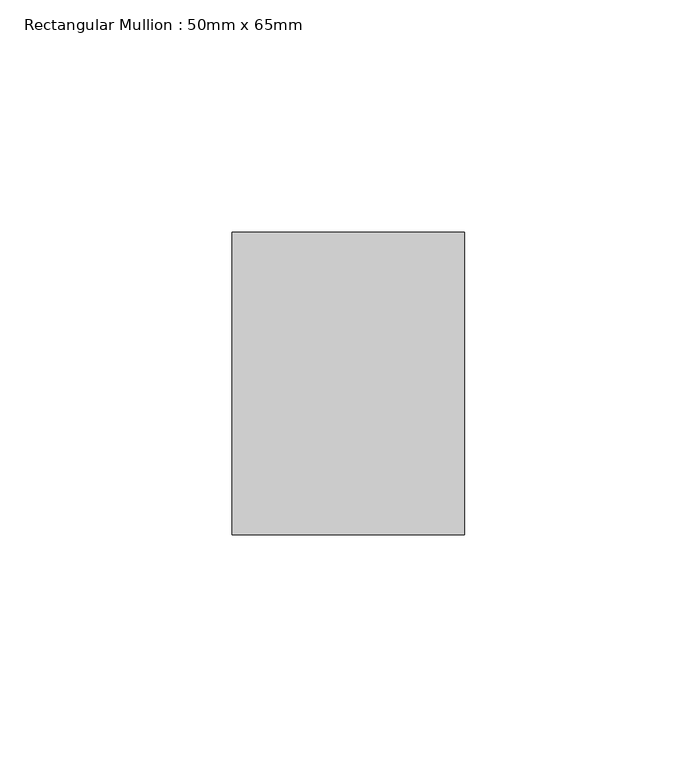
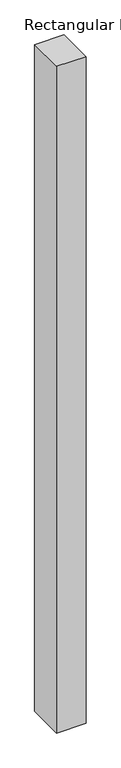
"""IFC4 building model written with IfcOpenShell, lengths in millimetres: member geometry, Rectangular Mullion : 50mm x 65mm."""

import ifcopenshell
import ifcopenshell.guid

model = None  # the IFC model being written
_history = None  # IfcOwnerHistory: only IFC2X3 demands one
_inside = {}  # id of a spatial element -> (the spatial element, [elements in it])
_under = {}  # id of a project, library or spatial element -> (it, [spatial elements below it])
_declared = {}  # id of a project -> (the project, [libraries it declares])
_typed = {}  # id of a type object -> (the type object, [elements of that type])
_made_of = {}  # id of a material, layer set ... -> (it, [elements and type objects made of it])


def new_model(schema):
    """Start an empty IFC model of exactly this schema.

    Asked for "IFC4X3", IfcOpenShell would pick the latest addendum, in which some entities
    have other attributes; the version numbers below select the first issue.
    IFC2X3 requires an IfcOwnerHistory on every rooted entity: one is made here for all.
    """
    global model, _history
    if schema == "IFC4X3":
        model = ifcopenshell.file(schema_version=(4, 3, 0, 0))
    else:
        model = ifcopenshell.file(schema=schema)
    _inside.clear()
    _under.clear()
    _declared.clear()
    _typed.clear()
    _made_of.clear()
    _history = None
    if model.schema == "IFC2X3":
        org = make("IfcOrganization", Name="unknown")
        user = make(
            "IfcPersonAndOrganization",
            ThePerson=make("IfcPerson", FamilyName="unknown"),
            TheOrganization=org,
        )
        app = make(
            "IfcApplication",
            ApplicationDeveloper=org,
            Version="unknown",
            ApplicationFullName="unknown",
            ApplicationIdentifier="unknown",
        )
        _history = make(
            "IfcOwnerHistory",
            OwningUser=user,
            OwningApplication=app,
            ChangeAction="ADDED",
            CreationDate=0,
        )
    return model


def make(cls, **values):
    """One entity of the class cls with the attributes given. An attribute that is None is left unset."""
    return model.create_entity(
        cls, **{name: value for name, value in values.items() if value is not None}
    )


def rooted(cls, **values):
    """An entity with a GlobalId (a new one), such as an element, a storey or a relation."""
    return make(cls, GlobalId=ifcopenshell.guid.new(), OwnerHistory=_history, **values)


def si_unit(unit_type, name, prefix=None):
    """IfcSIUnit, for example si_unit("LENGTHUNIT", "METRE", prefix="MILLI")."""
    return make("IfcSIUnit", UnitType=unit_type, Prefix=prefix, Name=name)


def assignment(units):
    """IfcUnitAssignment: the units of a project."""
    return None if units is None else make("IfcUnitAssignment", Units=units)


def point(xyz):
    """IfcCartesianPoint."""
    return None if xyz is None else make("IfcCartesianPoint", Coordinates=xyz)


def direction(xyz):
    """IfcDirection."""
    return None if xyz is None else make("IfcDirection", DirectionRatios=xyz)


def frame(location, z_axis=None, x_axis=None):
    """IfcAxis2Placement3D, a coordinate frame: its origin and axes. An axis left out is left unset."""
    return make(
        "IfcAxis2Placement3D",
        Location=point(location),
        Axis=direction(z_axis),
        RefDirection=direction(x_axis),
    )


def origin():
    """The frame at (0, 0, 0) with its axes left unset."""
    return frame((0.0, 0.0, 0.0))


def place(relative_to, where):
    """IfcLocalPlacement: puts the frame where relative to a parent placement (None: the world)."""
    return make(
        "IfcLocalPlacement", PlacementRelTo=relative_to, RelativePlacement=where
    )


def context(
    kind, dimensions, precision=None, world=None, true_north=None, identifier=None
):
    """IfcGeometricRepresentationContext, for example the 3D "Model" context."""
    return make(
        "IfcGeometricRepresentationContext",
        ContextIdentifier=identifier,
        ContextType=kind,
        CoordinateSpaceDimension=dimensions,
        Precision=precision,
        WorldCoordinateSystem=world,
        TrueNorth=true_north,
    )


def project(units=None, contexts=None):
    """IfcProject with its units and contexts."""
    return rooted(
        "IfcProject",
        Name="project",
        RepresentationContexts=contexts,
        UnitsInContext=assignment(units),
    )


def spatial(cls, under=None, at=None, **own):
    """A site, building, storey or space (cls), placed at a placement, below another one or the project."""
    s = rooted(cls, ObjectPlacement=at, **own)
    if under is not None:
        _under.setdefault(under.id(), (under, []))[1].append(s)
    return s


def polyline(points):
    """IfcPolyline through the points."""
    return make("IfcPolyline", Points=[point(p) for p in points])


def outline(outer, holes=None, kind="AREA"):
    """IfcArbitraryClosedProfileDef: a profile drawn as a closed curve; with holes, ...WithVoids."""
    if holes is None:
        return make("IfcArbitraryClosedProfileDef", ProfileType=kind, OuterCurve=outer)
    return make(
        "IfcArbitraryProfileDefWithVoids",
        ProfileType=kind,
        OuterCurve=outer,
        InnerCurves=holes,
    )


def extrude(swept, where, along, depth):
    """IfcExtrudedAreaSolid: the profile swept, set in the frame where, extruded along a direction by depth."""
    return make(
        "IfcExtrudedAreaSolid",
        SweptArea=swept,
        Position=where,
        ExtrudedDirection=direction(along),
        Depth=depth,
    )


def shape(context_of_items, identifier, shape_type, items):
    """IfcShapeRepresentation: the items that make up one representation, for example the "Body"."""
    return make(
        "IfcShapeRepresentation",
        ContextOfItems=context_of_items,
        RepresentationIdentifier=identifier,
        RepresentationType=shape_type,
        Items=items,
    )


def source(mapping_origin, context_of_items, identifier, shape_type, items):
    """IfcRepresentationMap: a shape defined once, which mapped items show again and again."""
    return make(
        "IfcRepresentationMap",
        MappingOrigin=mapping_origin,
        MappedRepresentation=shape(context_of_items, identifier, shape_type, items),
    )


def transform(
    local_origin,
    x_axis=None,
    y_axis=None,
    z_axis=None,
    scale=None,
    scale2=None,
    scale3=None,
    uniform=True,
):
    """IfcCartesianTransformationOperator3D, or its non-uniform kind. x_axis, y_axis, z_axis: its Axis1, 2, 3."""
    if uniform:
        return make(
            "IfcCartesianTransformationOperator3D",
            Axis1=direction(x_axis),
            Axis2=direction(y_axis),
            LocalOrigin=point(local_origin),
            Scale=scale,
            Axis3=direction(z_axis),
        )
    return make(
        "IfcCartesianTransformationOperator3DnonUniform",
        Axis1=direction(x_axis),
        Axis2=direction(y_axis),
        LocalOrigin=point(local_origin),
        Scale=scale,
        Axis3=direction(z_axis),
        Scale2=scale2,
        Scale3=scale3,
    )


def mapped(mapping_source, mapping_target):
    """IfcMappedItem: shows the shape of a source again, moved by a transform."""
    return make(
        "IfcMappedItem", MappingSource=mapping_source, MappingTarget=mapping_target
    )


def made_of(thing, what):
    """Note that an element or type object is made of a material, layer set ...; save() writes the relation."""
    if what is not None:
        _made_of.setdefault(what.id(), (what, []))[1].append(thing)
    return thing


def element(
    cls,
    number,
    at=None,
    inside=None,
    cuts=None,
    type_object=None,
    material=None,
    context=None,
    identifier="Body",
    shape_type=None,
    held_by="IfcProductDefinitionShape",
    body=None,
    shapes=None,
    **own,
):
    """One element of the class cls, such as IfcWall. Its Tag is "e" and its number.

    at: its placement. inside: the storey or other place that contains it. cuts: it is an
    opening in that element (IfcRelVoidsElement). A single representation is given by context,
    identifier, shape_type and body (its items); several are given by shapes. held_by: the class
    of the entity that holds the representations. save() writes the other relations.
    """
    e = rooted(cls, Tag="e%d" % number, ObjectPlacement=at, **own)
    if body is not None:
        shapes = [shape(context, identifier, shape_type, body)]
    if shapes is not None:
        e.Representation = make(held_by, Representations=shapes)
    if inside is not None:
        _inside.setdefault(inside.id(), (inside, []))[1].append(e)
    if cuts is not None:
        rooted(
            "IfcRelVoidsElement", RelatingBuildingElement=cuts, RelatedOpeningElement=e
        )
    if type_object is not None:
        _typed.setdefault(type_object.id(), (type_object, []))[1].append(e)
    return made_of(e, material)


def aggregate(whole, parts):
    """IfcRelAggregates: a whole, such as a stair, and the parts it consists of."""
    return rooted("IfcRelAggregates", RelatingObject=whole, RelatedObjects=parts)


def save(model, path):
    """Write the relations noted so far, then the file.

    IfcRelAggregates (storeys below a building ...), IfcRelContainedInSpatialStructure (elements
    in a storey), IfcRelDefinesByType, IfcRelAssociatesMaterial and IfcRelDeclares: one each for
    every whole, place, type object, material and project.
    """
    for whole, parts in _under.values():
        aggregate(whole, parts)
    for where, things in _inside.values():
        rooted(
            "IfcRelContainedInSpatialStructure",
            RelatedElements=things,
            RelatingStructure=where,
        )
    for kind, things in _typed.values():
        rooted("IfcRelDefinesByType", RelatedObjects=things, RelatingType=kind)
    for what, things in _made_of.values():
        rooted("IfcRelAssociatesMaterial", RelatedObjects=things, RelatingMaterial=what)
    for by, libraries in _declared.values():
        rooted("IfcRelDeclares", RelatingContext=by, RelatedDefinitions=libraries)
    model.write(path)


def rectangular_mullion_50mm_x_65mm_bb1a50d3(model_context):
    return source(origin(), model_context, "Body", "SweptSolid", [
        extrude(outline(polyline([(25.0, 32.5), (25.0, -32.5), (-25.0, -32.5), (-25.0, 32.5), (25.0, 32.5)])), frame((0.0, 0.0, -1205.1797869), z_axis=(0.0, 0.0, 1.0), x_axis=(1.0, 0.0, 0.0)), (0.0, 0.0, 1.0), 1205.1797869),
    ])


if __name__ == "__main__":
    model = new_model("IFC4")
    model_context = context("Model", 3, world=origin())
    ifc_project = project(units=[si_unit("LENGTHUNIT", "METRE", prefix="MILLI")], contexts=[model_context])
    site = spatial("IfcSite", under=ifc_project)
    building = spatial("IfcBuilding", under=site)
    placement = place(None, origin())
    rectangular_mullion_50mm_x_65mm_shape = rectangular_mullion_50mm_x_65mm_bb1a50d3(model_context)
    element("IfcMember", 1, ObjectType="Rectangular Mullion : 50mm x 65mm", at=placement, inside=building, context=model_context, shape_type="MappedRepresentation", body=[
        mapped(rectangular_mullion_50mm_x_65mm_shape, transform((0.0, 0.0, 0.0), x_axis=(1.0, 0.0, 0.0), y_axis=(0.0, 1.0, 0.0), z_axis=(0.0, 0.0, 1.0))),
    ])
    save(model, "model.ifc")
